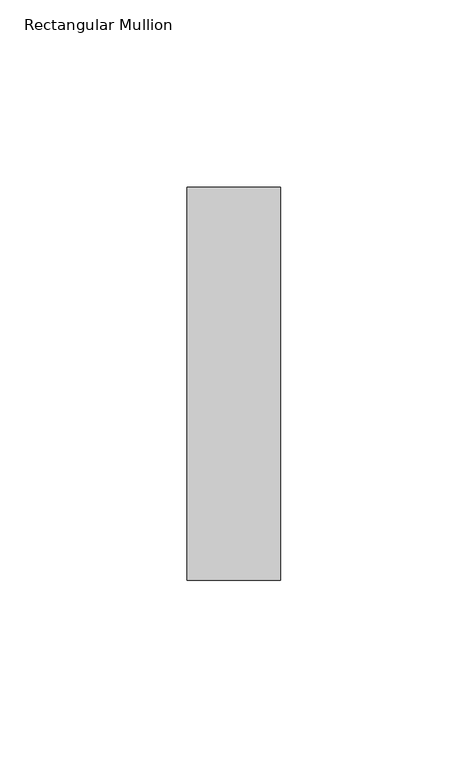
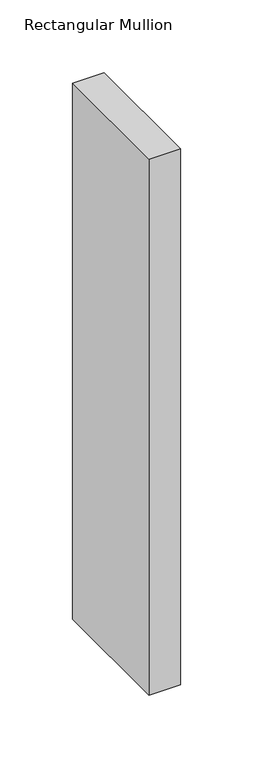
"""IFC4 building model written with IfcOpenShell, lengths in millimetres: member geometry, Rectangular Mullion."""

from ifc_helpers import new_model, si_unit, frame, origin, place, context, project, spatial, polyline, outline, extrude, source, transform, mapped, element, save


def rectangular_mullion_1244e65b(model_context):
    return source(origin(), model_context, "Body", "SweptSolid", [
        extrude(outline(polyline([(0.0, 52.5), (0.0, -52.5), (-25.0, -52.5), (-25.0, 52.5), (0.0, 52.5)])), frame((0.0, 0.0, -450.0), z_axis=(0.0, 0.0, 1.0), x_axis=(1.0, 0.0, 0.0)), (0.0, 0.0, 1.0), 450.0),
    ])


if __name__ == "__main__":
    model = new_model("IFC4")
    model_context = context("Model", 3, world=origin())
    ifc_project = project(units=[si_unit("LENGTHUNIT", "METRE", prefix="MILLI")], contexts=[model_context])
    site = spatial("IfcSite", under=ifc_project)
    building = spatial("IfcBuilding", under=site)
    placement = place(None, origin())
    rectangular_mullion_shape = rectangular_mullion_1244e65b(model_context)
    element("IfcMember", 1, ObjectType="Rectangular Mullion", at=placement, inside=building, context=model_context, shape_type="MappedRepresentation", body=[
        mapped(rectangular_mullion_shape, transform((0.0, 0.0, 0.0), x_axis=(1.0, 0.0, 0.0), y_axis=(0.0, 1.0, 0.0), z_axis=(0.0, 0.0, 1.0))),
    ])
    save(model, "model.ifc")
